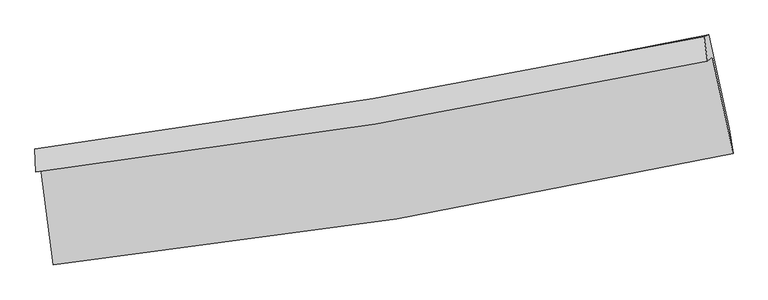
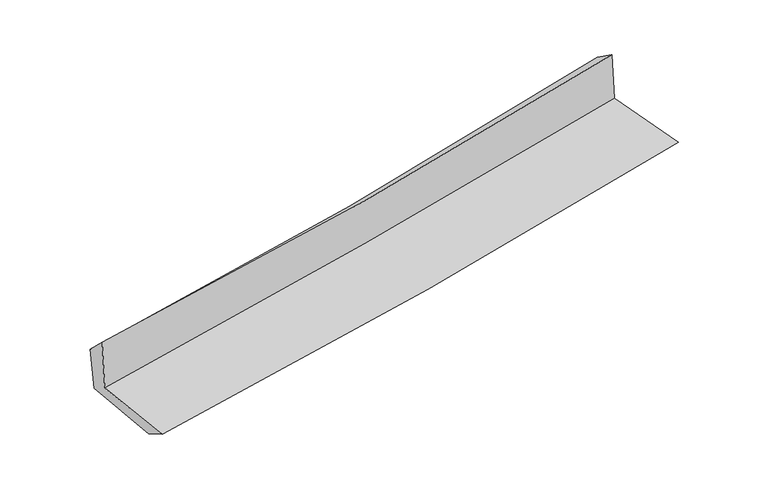
"""IFC4 building model written with IfcOpenShell, lengths in millimetres: proxy geometry."""

from ifc_helpers import new_model, si_unit, frame, origin, place, context, project, spatial, source, transform, mapped, element, save
from ifc_brep_helpers import plane_surface, spline_curve, spline_surface, advanced_brep


def generic_models_470f5aae(model_context):
    return source(origin(), model_context, "Body", "AdvancedBrep", [
        advanced_brep(
        [(-2318.66146, -1863.9074523, 1672.9042274), (-2235.3841011, -2522.6393803, 1644.8422492), (2393.72806, -1761.2749021, 2067.9622669), (2253.2719834, -1106.7159601, 2096.1193206), (-2354.2479552, -1889.5109222, 2090.5843174), (2219.1918729, -1131.2356292, 2496.1189152), (-2359.6632944, -1731.763354, 1940.6052903), (2195.9696544, -967.4911085, 2381.7065297), (-2327.611638, -1728.9116605, 1591.1102102), (2228.3253682, -953.3680174, 2021.5807525), (-2247.5118533, -2356.3031321, 1555.9211682), (2366.6724172, -1593.6297418, 1984.2636669)],
        [
            (0, 1),
            (1, 2, spline_curve(3, [(-2235.3841011, -2522.6393803, 1644.8422492), (-1452.82796922, -2440.36471226, 1730.047343104), (-673.11999969, -2335.179185666, 1808.106302718), (869.839031931, -2080.760727926, 1948.949711926), (1633.168449319, -1932.158095053, 2011.930758349), (2393.72806, -1761.2749021, 2067.9622669)], [4, 2, 4], [0.0, 7.737474565758285, 15.36777440160337])),
            (2, 3),
            (3, 0, spline_curve(3, [(2253.2719834, -1106.7159601, 2096.1193206), (1501.129528913, -1268.010227737, 2042.245128502), (746.736704576, -1411.442045971, 1980.342449992), (-777.177448914, -1664.344523992, 1839.497871296), (-1546.762438899, -1773.309869672, 1760.32885225), (-2318.66146, -1863.9074523, 1672.9042274)], [4, 2, 4], [0.0, 7.630299835845085, 15.36777440160337])),
            (4, 0),
            (3, 5),
            (5, 4, spline_curve(3, [(2219.1918729, -1131.2356292, 2496.1189152), (1468.413791298, -1291.548269435, 2426.231025123), (714.584123783, -1434.574912372, 2357.718553754), (-809.809492288, -1687.822349935, 2222.501444861), (-1580.45976719, -1797.554137938, 2155.835717196), (-2354.2479552, -1889.5109222, 2090.5843174)], [4, 2, 4], [0.0, 7.583010411432075, 15.272531328382733])),
            (6, 4),
            (5, 7),
            (7, 6, spline_curve(3, [(2195.9696544, -967.4911085, 2381.7065297), (1447.705728697, -1121.996515181, 2301.623288309), (696.605187012, -1262.59209181, 2225.054899281), (-821.85888392, -1517.743004518, 2077.921720765), (-1589.302658538, -1631.90484311, 2007.456363143), (-2359.6632944, -1731.763354, 1940.6052903)], [4, 2, 4], [0.0, 7.57166853837002, 15.2496882749957])),
            (8, 6),
            (7, 9),
            (9, 8, spline_curve(3, [(2228.3253682, -953.3680174, 2021.5807525), (1480.627091341, -1119.761612456, 1955.633266211), (729.786360752, -1267.268964913, 1887.055624101), (-788.770410753, -1526.317788814, 1743.639848078), (-1556.575348625, -1637.324983929, 1668.727309513), (-2327.611638, -1728.9116605, 1591.1102102)], [4, 2, 4], [0.0, 7.5620500797880545, 15.230316257544377])),
            (10, 8),
            (9, 11),
            (11, 10, spline_curve(3, [(2366.6724172, -1593.6297418, 1984.2636669), (1608.309569544, -1755.680978963, 1916.594300418), (847.312893912, -1899.944396865, 1847.324586218), (-690.674020768, -2154.672063146, 1704.589025578), (-1467.738768644, -2264.633108553, 1631.077907072), (-2247.5118533, -2356.3031321, 1555.9211682)], [4, 2, 4], [0.0, 7.608223150943328, 15.323310944019216])),
            (1, 10),
            (11, 2),
        ],
        [
            spline_surface(3, 3, [[(-2318.66146, -1863.9074523, 1672.9042274), (-1546.762438879, -1773.309869645, 1760.328852151), (-777.177448871, -1664.344523919, 1839.497871386), (746.736704534, -1411.442046042, 1980.342449903), (1501.12952893, -1268.010227686, 2042.245128446), (2253.2719834, -1106.7159601, 2096.1193206)], [(-2290.902340366, -2083.484761625, 1663.55023466), (-1515.450949007, -1995.66148386, 1750.235015815), (-742.49163247, -1887.956077878, 1829.034015134), (787.770813637, -1634.548273338, 1969.878203899), (1545.142502349, -1489.392850132, 2032.14033842), (2300.09067557, -1324.902274109, 2086.733636048)], [(-2263.143220734, -2303.062070975, 1654.19624194), (-1484.139459136, -2218.013098101, 1740.141179499), (-707.805816035, -2111.567631772, 1818.570158944), (828.804922773, -1857.654500567, 1959.413957956), (1589.155475858, -1710.775472552, 2022.03554835), (2346.90936783, -1543.088588091, 2077.347951452)], [(-2235.3841011, -2522.6393803, 1644.8422492), (-1452.827969264, -2440.364712317, 1730.047343163), (-673.119999633, -2335.179185731, 1808.106302692), (869.839031876, -2080.760727862, 1948.949711952), (1633.168449277, -1932.158094999, 2011.930758324), (2393.72806, -1761.2749021, 2067.9622669)]], [4, 4], [4, 2, 4], [0.0, 2.2321087972767755], [0.0, 7.737474565758285, 15.36777440160337]),
            spline_surface(3, 3, [[(-2354.2479552, -1889.5109222, 2090.5843174), (-1580.459767268, -1797.554137818, 2155.83571715), (-809.809492189, -1687.822349889, 2222.501444955), (714.584123685, -1434.574912418, 2357.718553662), (1468.413791299, -1291.548269357, 2426.231025138), (2219.1918729, -1131.2356292, 2496.1189152)], [(-2342.385790156, -1880.976432225, 1951.357620743), (-1569.227324494, -1789.472715085, 2024.000095494), (-798.932144403, -1679.996407888, 2094.83358711), (725.301650648, -1426.863956949, 2231.926519087), (1479.319037182, -1283.70225547, 2298.235726235), (2230.551909739, -1123.06240617, 2362.785716995)], [(-2330.523625044, -1872.441942275, 1812.130924057), (-1557.994881653, -1781.391292378, 1892.164473807), (-788.054796657, -1672.17046592, 1967.165729231), (736.019177571, -1419.153001512, 2106.134484478), (1490.224283047, -1275.856241573, 2170.240427348), (2241.911946561, -1114.88918313, 2229.452518805)], [(-2318.66146, -1863.9074523, 1672.9042274), (-1546.762438879, -1773.309869645, 1760.328852151), (-777.177448871, -1664.344523919, 1839.497871386), (746.736704534, -1411.442046042, 1980.342449903), (1501.12952893, -1268.010227686, 2042.245128446), (2253.2719834, -1106.7159601, 2096.1193206)]], [4, 4], [4, 2, 4], [0.0, 1.2543280225598594], [0.0, 7.689520916950658, 15.272531328382733]),
            spline_surface(3, 3, [[(-2359.6632944, -1731.763354, 1940.6052903), (-1589.302658432, -1631.904843159, 2007.45636315), (-821.85888384, -1517.743004502, 2077.921720654), (696.605186933, -1262.592091825, 2225.05489939), (1447.705728593, -1121.996515298, 2301.62328831), (2195.9696544, -967.4911085, 2381.7065297)], [(-2357.858181334, -1784.34587674, 1990.598299346), (-1586.355028044, -1687.121274719, 2056.91614783), (-817.842419984, -1574.43611964, 2126.1149621), (702.598165823, -1319.919698699, 2269.276117493), (1454.608416157, -1178.513766644, 2343.15920057), (2203.710393895, -1022.072615393, 2419.843991517)], [(-2356.053068266, -1836.92839946, 2040.591308354), (-1583.407397655, -1742.337706258, 2106.375932471), (-813.825956045, -1631.12923475, 2174.308203509), (708.591144795, -1377.247305545, 2313.497335559), (1461.511103735, -1235.031018011, 2384.695112878), (2211.451133405, -1076.654122307, 2457.981453383)], [(-2354.2479552, -1889.5109222, 2090.5843174), (-1580.459767268, -1797.554137818, 2155.83571715), (-809.809492189, -1687.822349889, 2222.501444955), (714.584123685, -1434.574912418, 2357.718553662), (1468.413791299, -1291.548269357, 2426.231025138), (2219.1918729, -1131.2356292, 2496.1189152)]], [4, 4], [4, 2, 4], [0.0, 0.7240928518632805], [0.0, 7.6780197366256795, 15.2496882749957]),
            spline_surface(3, 3, [[(-2327.611638, -1728.9116605, 1591.1102102), (-1556.575348714, -1637.324984024, 1668.727309485), (-788.770410656, -1526.317788751, 1743.639848166), (729.786360656, -1267.268964975, 1887.055624015), (1480.627091367, -1119.761612536, 1955.633266109), (2228.3253682, -953.3680174, 2021.5807525)], [(-2338.295523466, -1729.862224992, 1707.608570228), (-1567.484451952, -1635.518270394, 1781.636994035), (-799.799901699, -1523.459527319, 1855.067138979), (718.725969433, -1265.710007242, 1999.722049123), (1469.653303803, -1120.506580118, 2070.96327353), (2217.540130293, -958.075714428, 2141.622678254)], [(-2348.979408934, -1730.812789508, 1824.106930272), (-1578.393555194, -1633.711556789, 1894.546678601), (-810.829392796, -1520.601265934, 1966.494429841), (707.665578156, -1264.151049558, 2112.388474282), (1458.679516158, -1121.251547717, 2186.293280889), (2206.754892307, -962.783411472, 2261.664603946)], [(-2359.6632944, -1731.763354, 1940.6052903), (-1589.302658432, -1631.904843159, 2007.45636315), (-821.85888384, -1517.743004502, 2077.921720654), (696.605186933, -1262.592091825, 2225.05489939), (1447.705728593, -1121.996515298, 2301.62328831), (2195.9696544, -967.4911085, 2381.7065297)]], [4, 4], [4, 2, 4], [0.0, 1.1083014752172882], [0.0, 7.668266177756323, 15.230316257544377]),
            spline_surface(3, 3, [[(-2247.5118533, -2356.3031321, 1555.9211682), (-1467.738768744, -2264.633108487, 1631.077907023), (-690.674020774, -2154.672063019, 1704.589025701), (847.312893917, -1899.944396989, 1847.324586097), (1608.309569472, -1755.680979023, 1916.594300321), (2366.6724172, -1593.6297418, 1984.2636669)], [(-2274.211781532, -2147.172641575, 1567.650848857), (-1497.350962066, -2055.530400341, 1643.627707834), (-723.372817394, -1945.220638274, 1717.605966528), (808.137382837, -1689.052586328, 1860.568265408), (1565.748743433, -1543.707856874, 1929.607288904), (2320.556734196, -1380.209167014, 1996.70269542)], [(-2300.911709768, -1938.042151025, 1579.380529543), (-1526.963155392, -1846.42769217, 1656.177508674), (-756.071614035, -1735.769213497, 1730.622907339), (768.961871736, -1478.160775636, 1873.811944704), (1523.187917406, -1331.734734685, 1942.620277526), (2274.441051204, -1166.788592186, 2009.14172398)], [(-2327.611638, -1728.9116605, 1591.1102102), (-1556.575348714, -1637.324984024, 1668.727309485), (-788.770410656, -1526.317788751, 1743.639848166), (729.786360656, -1267.268964975, 1887.055624015), (1480.627091367, -1119.761612536, 1955.633266109), (2228.3253682, -953.3680174, 2021.5807525)]], [4, 4], [4, 2, 4], [0.0, 2.1024439455325146], [0.0, 7.715087793075888, 15.323310944019216]),
            spline_surface(3, 3, [[(-2235.3841011, -2522.6393803, 1644.8422492), (-1452.827969264, -2440.364712317, 1730.047343163), (-673.119999633, -2335.179185731, 1808.106302692), (869.839031876, -2080.760727862, 1948.949711952), (1633.168449277, -1932.158094999, 2011.930758324), (2393.72806, -1761.2749021, 2067.9622669)], [(-2239.426685147, -2467.193964244, 1615.201888866), (-1457.798235737, -2381.787511051, 1697.057531115), (-678.971340013, -2275.010144812, 1773.600543703), (862.330319223, -2020.488617557, 1915.074670009), (1624.882156016, -1873.33238966, 1980.151938989), (2384.709512407, -1705.393181987, 2040.062733566)], [(-2243.469269253, -2411.748548156, 1585.561528534), (-1462.768502271, -2323.210309753, 1664.067719071), (-684.822680394, -2214.841103938, 1739.09478469), (854.82160657, -1960.216507295, 1881.19962804), (1616.595862733, -1814.506684362, 1948.373119656), (2375.690964793, -1649.511461913, 2012.163200234)], [(-2247.5118533, -2356.3031321, 1555.9211682), (-1467.738768744, -2264.633108487, 1631.077907023), (-690.674020774, -2154.672063019, 1704.589025701), (847.312893917, -1899.944396989, 1847.324586097), (1608.309569472, -1755.680979023, 1916.594300321), (2366.6724172, -1593.6297418, 1984.2636669)]], [4, 4], [4, 2, 4], [0.0, 0.6847550010066152], [0.0, 7.7725700930191275, 15.437479334507028]),
            plane_surface(frame((2276.193226, -1252.2858932, 2174.625242), z_axis=(0.9741044309984318, 0.2049140681737403, 0.0955551263601769), x_axis=(-0.08941696155873412, -0.0390300119282946, 0.9952292525616805))),
            plane_surface(frame((-2307.1800503, -2015.5059836, 1749.3279105), z_axis=(-0.9884077499051971, -0.12105164222197601, -0.09163307177383223), x_axis=(-0.12531055565842703, 0.9912185618450366, 0.04222590785801641))),
        ],
        [
            (0, [[1, 2, 3, 4]]),
            (1, [[5, -4, 6, 7]]),
            (2, [[8, -7, 9, 10]]),
            (3, [[11, -10, 12, 13]]),
            (4, [[14, -13, 15, 16]]),
            (5, [[17, -16, 18, -2]]),
            (6, [[-12, -9, -6, -3, -18, -15]]),
            (7, [[-1, -5, -8, -11, -14, -17]]),
        ],
    ),
    ])


if __name__ == "__main__":
    model = new_model("IFC4")
    model_context = context("Model", 3, world=origin())
    ifc_project = project(units=[si_unit("LENGTHUNIT", "METRE", prefix="MILLI")], contexts=[model_context])
    site = spatial("IfcSite", under=ifc_project)
    building = spatial("IfcBuilding", under=site)
    placement = place(None, origin())
    generic_models_shape = generic_models_470f5aae(model_context)
    element("IfcBuildingElementProxy", 1, Name="Generic Models", at=placement, inside=building, context=model_context, shape_type="MappedRepresentation", body=[
        mapped(generic_models_shape, transform((0.0, 0.0, 0.0), x_axis=(1.0, 0.0, 0.0), y_axis=(0.0, 1.0, 0.0), z_axis=(0.0, 0.0, 1.0))),
    ])
    save(model, "model.ifc")
